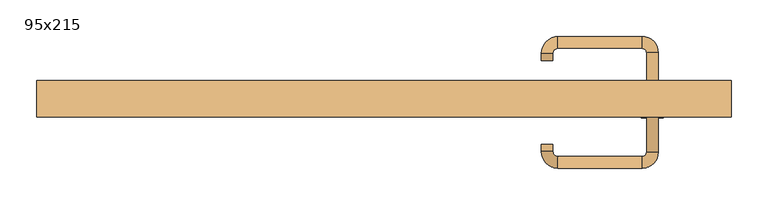
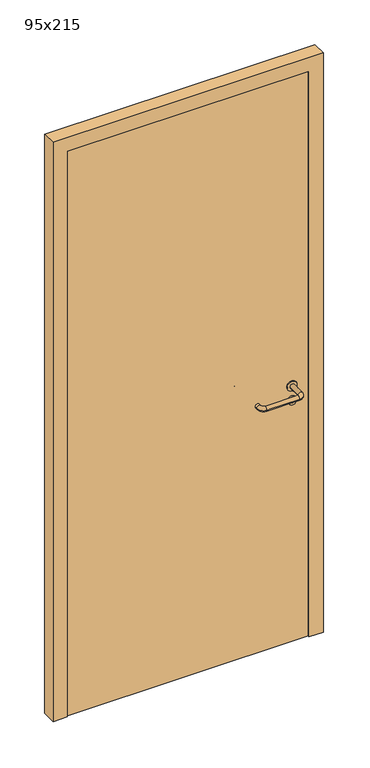
"""IFC4 building model written with IfcOpenShell, lengths in millimetres: door geometry, 95x215."""

from ifc_helpers import new_model, si_unit, point, frame, frame_2d, origin, origin_with_axes, place, context, project, spatial, polyline, circle_curve, ellipse_curve, trimmed, segment, composite_curve, outline, extrude, source, transform, mapped, element, save
from ifc_brep_helpers import plane_surface, cylinder_surface, revolved_surface, advanced_brep


def door_95x215_8f1c2e65(model_context):
    return source(origin(), model_context, "Body", "SolidModel", [
        extrude(outline(composite_curve([segment(trimmed(circle_curve(frame_2d((897.3605726, 367.0)), 15.0), [point((897.3605726, 382.0))], [point((897.3605726, 352.0))], False, "CARTESIAN"), True, "CONTINUOUS"), segment(trimmed(circle_curve(frame_2d((897.3605726, 367.0)), 15.0), [point((897.3605726, 352.0))], [point((897.3605726, 382.0))], False, "CARTESIAN"), True, "CONTINUOUS")], self_intersect=False), holes=[composite_curve([segment(trimmed(circle_curve(frame_2d((892.5833211, 366.9398032)), 2.0), [point((892.5833211, 368.9398032))], [point((892.5833211, 364.9398032))], True, "CARTESIAN"), True, "CONTINUOUS"), segment(polyline([(892.5833211, 364.9398032), (902.5833211, 364.9398032)]), True, "CONTINUOUS"), segment(trimmed(circle_curve(frame_2d((902.5833211, 366.9398032)), 2.0), [point((902.5833211, 364.9398032))], [point((902.5833211, 368.9398032))], True, "CARTESIAN"), True, "CONTINUOUS"), segment(polyline([(902.5833211, 368.9398032), (892.5833211, 368.9398032)]), True, "CONTINUOUS")], self_intersect=False)]), frame((0.0, -15.0, 0.0), z_axis=(0.0, 1.0, 0.0), x_axis=(0.0, 0.0, 1.0)), (0.0, 0.0, 1.0), 6.35),
        extrude(outline(composite_curve([segment(trimmed(circle_curve(frame_2d((950.0, 367.0)), 17.526), [point((950.0, 384.526))], [point((950.0, 349.474))], False, "CARTESIAN"), True, "CONTINUOUS"), segment(trimmed(circle_curve(frame_2d((950.0, 367.0)), 17.526), [point((950.0, 349.474))], [point((950.0, 384.526))], False, "CARTESIAN"), True, "CONTINUOUS")], self_intersect=False)), frame((0.0, -15.0, 0.0), z_axis=(0.0, 1.0, 0.0), x_axis=(0.0, 0.0, 1.0)), (0.0, 0.0, 1.0), 3.175),
        advanced_brep(
        [(375.0, -15.0, 950.0), (359.0, -15.0, 950.0), (375.0, 38.0, 950.0), (359.0, 38.0, 950.0), (352.8578644, 44.1421356, 950.0), (352.8578644, 60.1421356, 950.0), (237.8578644, 60.1421356, 950.0), (237.8578644, 44.1421356, 950.0), (231.008622, 37.2928932, 950.0), (215.008622, 37.2928932, 950.0), (215.008622, 27.2928932, 950.0), (231.008622, 27.2928932, 950.0)],
        [
            (0, 1, circle_curve(frame((367.0, -15.0, 950.0), z_axis=(0.0, -1.0, 0.0), x_axis=(-1.0, 0.0, 0.0)), 8.0)),
            (1, 0, circle_curve(frame((367.0, -15.0, 950.0), z_axis=(0.0, -1.0, 0.0), x_axis=(-1.0, 0.0, 0.0)), 8.0)),
            (0, 2),
            (2, 3, circle_curve(frame((367.0, 38.0, 950.0), z_axis=(0.0, -1.0, 0.0), x_axis=(-1.0, 0.0, 0.0)), 8.0)),
            (3, 1),
            (3, 2, circle_curve(frame((367.0, 38.0, 950.0), z_axis=(0.0, -1.0, 0.0), x_axis=(-1.0, 0.0, 0.0)), 8.0)),
            (4, 3, circle_curve(frame((352.8578644, 38.0, 950.0), z_axis=(0.0, 0.0, -1.0), x_axis=(1.0, 0.0, 0.0)), 6.1421356)),
            (2, 5, circle_curve(frame((352.8578644, 38.0, 950.0), z_axis=(0.0, 0.0, 1.0), x_axis=(1.0, 0.0, 0.0)), 22.1421356)),
            (5, 4, circle_curve(frame((352.8578644, 52.1421356, 950.0), z_axis=(1.0, 0.0, 0.0), x_axis=(0.0, -1.0, 0.0)), 8.0)),
            (4, 5, circle_curve(frame((352.8578644, 52.1421356, 950.0), z_axis=(1.0, 0.0, 0.0), x_axis=(0.0, -1.0, 0.0)), 8.0)),
            (5, 6),
            (6, 7, circle_curve(frame((237.8578644, 52.1421356, 950.0), z_axis=(1.0, 0.0, 0.0), x_axis=(0.0, -1.0, 0.0)), 8.0)),
            (7, 4),
            (7, 6, circle_curve(frame((237.8578644, 52.1421356, 950.0), z_axis=(1.0, 0.0, 0.0), x_axis=(0.0, -1.0, 0.0)), 8.0)),
            (8, 7, circle_curve(frame((237.8578644, 37.2928932, 950.0), z_axis=(0.0, 0.0, -1.0), x_axis=(0.0, 1.0, 0.0)), 6.8492424)),
            (6, 9, circle_curve(frame((237.8578644, 37.2928932, 950.0), z_axis=(0.0, 0.0, 1.0), x_axis=(0.0, 1.0, 0.0)), 22.8492424)),
            (9, 8, circle_curve(frame((223.008622, 37.2928932, 950.0), z_axis=(0.0, 1.0, 0.0), x_axis=(1.0, 0.0, 0.0)), 8.0)),
            (8, 9, circle_curve(frame((223.008622, 37.2928932, 950.0), z_axis=(0.0, 1.0, 0.0), x_axis=(1.0, 0.0, 0.0)), 8.0)),
            (10, 11, circle_curve(frame((223.008622, 27.2928932, 950.0), z_axis=(0.0, -1.0, 0.0), x_axis=(1.0, 0.0, 0.0)), 8.0)),
            (11, 10, circle_curve(frame((223.008622, 27.2928932, 950.0), z_axis=(0.0, -1.0, 0.0), x_axis=(1.0, 0.0, 0.0)), 8.0)),
            (9, 10),
            (11, 8),
        ],
        [
            plane_surface(frame((367.0, -15.0, 170.0), z_axis=(0.0, -1.0, 0.0), x_axis=(0.0, 0.0, 1.0))),
            cylinder_surface(frame((367.0, -15.0, 950.0), z_axis=(0.0, -1.0, 0.0), x_axis=(-1.0, 0.0, 0.0)), 8.0),
            revolved_surface(trimmed(ellipse_curve(frame((367.0, 38.0, 950.0), z_axis=(0.0, -1.0, 0.0), x_axis=(-1.0, 0.0, 0.0)), 8.0, 8.0), [point((375.0, 38.0, 950.0))], [point((359.0, 38.0, 950.0))], True, "CARTESIAN"), (352.8578644, 38.0, 170.0), (0.0, 0.0, 1.0)),
            revolved_surface(trimmed(ellipse_curve(frame((367.0, 38.0, 950.0), z_axis=(0.0, -1.0, 0.0), x_axis=(-1.0, 0.0, 0.0)), 8.0, 8.0), [point((359.0, 38.0, 950.0))], [point((375.0, 38.0, 950.0))], True, "CARTESIAN"), (352.8578644, 38.0, 170.0), (0.0, 0.0, 1.0)),
            cylinder_surface(frame((352.8578644, 52.1421356, 950.0), z_axis=(1.0, 0.0, 0.0), x_axis=(0.0, -1.0, 0.0)), 8.0),
            revolved_surface(trimmed(ellipse_curve(frame((237.8578644, 52.1421356, 950.0), z_axis=(1.0, 0.0, 0.0), x_axis=(0.0, -1.0, 0.0)), 8.0, 8.0), [point((237.8578644, 60.1421356, 950.0))], [point((237.8578644, 44.1421356, 950.0))], True, "CARTESIAN"), (237.8578644, 37.2928932, 170.0), (0.0, 0.0, 1.0)),
            revolved_surface(trimmed(ellipse_curve(frame((237.8578644, 52.1421356, 950.0), z_axis=(1.0, 0.0, 0.0), x_axis=(0.0, -1.0, 0.0)), 8.0, 8.0), [point((237.8578644, 44.1421356, 950.0))], [point((237.8578644, 60.1421356, 950.0))], True, "CARTESIAN"), (237.8578644, 37.2928932, 170.0), (0.0, 0.0, 1.0)),
            plane_surface(frame((223.008622, 27.2928932, 170.0), z_axis=(0.0, -1.0, 0.0), x_axis=(0.0, 0.0, 1.0))),
            cylinder_surface(frame((223.008622, 37.2928932, 950.0), z_axis=(0.0, 1.0, 0.0), x_axis=(1.0, 0.0, 0.0)), 8.0),
        ],
        [
            (0, [[1, 2]]),
            (1, [[-1, 3, 4, 5]]),
            (1, [[-2, -5, 6, -3]]),
            (2, [[7, -4, 8, 9]]),
            (3, [[-8, -6, -7, 10]]),
            (4, [[-9, 11, 12, 13]]),
            (4, [[-10, -13, 14, -11]]),
            (5, [[15, -12, 16, 17]]),
            (6, [[-16, -14, -15, 18]]),
            (7, [[19, 20]]),
            (8, [[-17, 21, -20, 22]]),
            (8, [[-18, -22, -19, -21]]),
        ],
    ),
        extrude(outline(composite_curve([segment(trimmed(circle_curve(frame_2d((0.0, 15.0)), 15.0), [point((0.0, 30.0))], [point((0.0, 0.0))], False, "CARTESIAN"), True, "CONTINUOUS"), segment(trimmed(circle_curve(frame_2d((0.0, 15.0)), 15.0), [point((0.0, 0.0))], [point((0.0, 30.0))], False, "CARTESIAN"), True, "CONTINUOUS")], self_intersect=False), holes=[composite_curve([segment(trimmed(circle_curve(frame_2d((-4.7772515, 14.9398032)), 2.0), [point((-4.7772515, 16.9398032))], [point((-4.7772515, 12.9398032))], True, "CARTESIAN"), True, "CONTINUOUS"), segment(polyline([(-4.7772515, 12.9398032), (5.2227485, 12.9398032)]), True, "CONTINUOUS"), segment(trimmed(circle_curve(frame_2d((5.2227485, 14.9398032)), 2.0), [point((5.2227485, 12.9398032))], [point((5.2227485, 16.9398032))], True, "CARTESIAN"), True, "CONTINUOUS"), segment(polyline([(5.2227485, 16.9398032), (-4.7772515, 16.9398032)]), True, "CONTINUOUS")], self_intersect=False)]), frame((352.0, -51.35, 897.3605726), z_axis=(-1.8870575173328306e-12, 1.0, 0.0), x_axis=(0.0, 0.0, 1.0)), (0.0, 0.0, 1.0), 6.35),
        extrude(outline(composite_curve([segment(trimmed(circle_curve(frame_2d((0.0, 17.526)), 17.526), [point((0.0, 35.052))], [point((0.0, 0.0))], False, "CARTESIAN"), True, "CONTINUOUS"), segment(trimmed(circle_curve(frame_2d((0.0, 17.526)), 17.526), [point((0.0, 0.0))], [point((0.0, 35.052))], False, "CARTESIAN"), True, "CONTINUOUS")], self_intersect=False)), frame((349.474, -48.175, 950.0), z_axis=(-1.8870575173328306e-12, 1.0, 0.0), x_axis=(0.0, 0.0, 1.0)), (0.0, 0.0, 1.0), 3.175),
        advanced_brep(
        [(375.0, -45.0, 950.0), (359.0, -45.0, 950.0), (359.0, -98.0, 950.0), (375.0, -98.0, 950.0), (352.8578644, -104.1421356, 950.0), (352.8578644, -120.1421356, 950.0), (237.8578644, -104.1421356, 950.0), (237.8578644, -120.1421356, 950.0), (231.008622, -97.2928932, 950.0), (215.008622, -97.2928932, 950.0), (215.008622, -87.2928932, 950.0), (231.008622, -87.2928932, 950.0)],
        [
            (0, 1, circle_curve(frame((367.0, -45.0, 950.0), z_axis=(-1.888672253512351e-12, 1.0, 0.0), x_axis=(-1.0, -1.888672253512351e-12, 0.0)), 8.0)),
            (1, 0, circle_curve(frame((367.0, -45.0, 950.0), z_axis=(-1.888672253512351e-12, 1.0, 0.0), x_axis=(-1.0, -1.888672253512351e-12, 0.0)), 8.0)),
            (1, 2),
            (2, 3, circle_curve(frame((367.0, -98.0, 950.0), z_axis=(-1.888672253512351e-12, 1.0, 0.0), x_axis=(-1.0, -1.888672253512351e-12, 0.0)), 8.0)),
            (3, 0),
            (3, 2, circle_curve(frame((367.0, -98.0, 950.0), z_axis=(-1.888672253512351e-12, 1.0, 0.0), x_axis=(-1.0, -1.888672253512351e-12, 0.0)), 8.0)),
            (4, 5, circle_curve(frame((352.8578644, -112.1421356, 950.0), z_axis=(1.0, 1.913702061528922e-12, 0.0), x_axis=(-1.913702061528922e-12, 1.0, 0.0)), 8.0)),
            (5, 3, circle_curve(frame((352.8578644, -98.0, 950.0), z_axis=(0.0, 0.0, 1.0), x_axis=(1.0, 1.880717803715015e-12, 0.0)), 22.1421356)),
            (2, 4, circle_curve(frame((352.8578644, -98.0, 950.0), z_axis=(0.0, 0.0, -1.0), x_axis=(1.0, 1.880717803715015e-12, 0.0)), 6.1421356)),
            (5, 4, circle_curve(frame((352.8578644, -112.1421356, 950.0), z_axis=(1.0, 1.913702061528922e-12, 0.0), x_axis=(-1.913702061528922e-12, 1.0, 0.0)), 8.0)),
            (4, 6),
            (6, 7, circle_curve(frame((237.8578644, -112.1421356, 950.0), z_axis=(1.0, 1.913719828541269e-12, 0.0), x_axis=(-1.913719828541269e-12, 1.0, 0.0)), 8.0)),
            (7, 5),
            (7, 6, circle_curve(frame((237.8578644, -112.1421356, 950.0), z_axis=(1.0, 1.913719828541269e-12, 0.0), x_axis=(-1.913719828541269e-12, 1.0, 0.0)), 8.0)),
            (8, 9, circle_curve(frame((223.008622, -97.2928932, 950.0), z_axis=(1.890226565746826e-12, -1.0, 0.0), x_axis=(1.0, 1.890226565746826e-12, 0.0)), 8.0)),
            (9, 7, circle_curve(frame((237.8578644, -97.2928932, 950.0), z_axis=(0.0, 0.0, 1.0), x_axis=(1.9120873253494017e-12, -1.0, 0.0)), 22.8492424)),
            (6, 8, circle_curve(frame((237.8578644, -97.2928932, 950.0), z_axis=(0.0, 0.0, -1.0), x_axis=(1.9120873253494017e-12, -1.0, 0.0)), 6.8492424)),
            (9, 8, circle_curve(frame((223.008622, -97.2928932, 950.0), z_axis=(1.890670654956676e-12, -1.0, 0.0), x_axis=(1.0, 1.890670654956676e-12, 0.0)), 8.0)),
            (10, 11, circle_curve(frame((223.008622, -87.2928932, 950.0), z_axis=(-1.8903642334018795e-12, 1.0, 0.0), x_axis=(1.0, 1.8903642334018795e-12, 0.0)), 8.0)),
            (11, 10, circle_curve(frame((223.008622, -87.2928932, 950.0), z_axis=(-1.8903642334018795e-12, 1.0, 0.0), x_axis=(1.0, 1.8903642334018795e-12, 0.0)), 8.0)),
            (8, 11),
            (10, 9),
        ],
        [
            plane_surface(frame((367.0, -45.0, 170.0), z_axis=(-1.8870575173328306e-12, 1.0, 0.0), x_axis=(0.0, 0.0, 1.0))),
            cylinder_surface(frame((367.0, -45.0, 950.0), z_axis=(-1.888672253512351e-12, 1.0, 0.0), x_axis=(-1.0, -1.888672253512351e-12, 0.0)), 8.0),
            revolved_surface(trimmed(ellipse_curve(frame((367.0, -98.0, 950.0), z_axis=(1.8823325398945356e-12, -1.0, 0.0), x_axis=(-1.0, -1.8823325398945356e-12, 0.0)), 8.0, 8.0), [point((375.0, -98.0, 950.0))], [point((359.0, -98.0, 950.0))], True, "CARTESIAN"), (352.8578644, -98.0, 170.0), (0.0, 0.0, 1.0)),
            revolved_surface(trimmed(ellipse_curve(frame((367.0, -98.0, 950.0), z_axis=(1.8823325398945356e-12, -1.0, 0.0), x_axis=(-1.0, -1.8823325398945356e-12, 0.0)), 8.0, 8.0), [point((359.0, -98.0, 950.0))], [point((375.0, -98.0, 950.0))], True, "CARTESIAN"), (352.8578644, -98.0, 170.0), (0.0, 0.0, 1.0)),
            cylinder_surface(frame((352.8578644, -112.1421356, 950.0), z_axis=(1.0, 1.913719828541269e-12, 0.0), x_axis=(-1.913719828541269e-12, 1.0, 0.0)), 8.0),
            revolved_surface(trimmed(ellipse_curve(frame((237.8578644, -112.1421356, 950.0), z_axis=(-1.0, -1.913702061528922e-12, 0.0), x_axis=(-1.913702061528922e-12, 1.0, 0.0)), 8.0, 8.0), [point((237.8578644, -120.1421356, 950.0))], [point((237.8578644, -104.1421356, 950.0))], True, "CARTESIAN"), (237.8578644, -97.2928932, 170.0), (0.0, 0.0, 1.0)),
            revolved_surface(trimmed(ellipse_curve(frame((237.8578644, -112.1421356, 950.0), z_axis=(-1.0, -1.913702061528922e-12, 0.0), x_axis=(-1.913702061528922e-12, 1.0, 0.0)), 8.0, 8.0), [point((237.8578644, -104.1421356, 950.0))], [point((237.8578644, -120.1421356, 950.0))], True, "CARTESIAN"), (237.8578644, -97.2928932, 170.0), (0.0, 0.0, 1.0)),
            plane_surface(frame((223.008622, -87.2928932, 170.0), z_axis=(-1.8887494972223595e-12, 1.0, 0.0), x_axis=(0.0, 0.0, 1.0))),
            cylinder_surface(frame((223.008622, -97.2928932, 950.0), z_axis=(1.8903642334018795e-12, -1.0, 0.0), x_axis=(1.0, 1.8903642334018795e-12, 0.0)), 8.0),
        ],
        [
            (0, [[1, 2]]),
            (1, [[3, 4, 5, -2]]),
            (1, [[-5, 6, -3, -1]]),
            (2, [[7, 8, -4, 9]]),
            (3, [[10, -9, -6, -8]]),
            (4, [[11, 12, 13, -7]]),
            (4, [[-13, 14, -11, -10]]),
            (5, [[15, 16, -12, 17]]),
            (6, [[18, -17, -14, -16]]),
            (7, [[19, 20]]),
            (8, [[21, -19, 22, -15]]),
            (8, [[-22, -20, -21, -18]]),
        ],
    ),
        extrude(outline(polyline([(2100.0, 425.0), (0.0, 425.0), (0.0, 475.0), (2150.0, 475.0), (2150.0, -475.0), (0.0, -475.0), (0.0, -425.0), (2100.0, -425.0), (2100.0, 425.0)])), frame((0.0, -50.0, 0.0), z_axis=(0.0, 1.0, 0.0), x_axis=(0.0, 0.0, 1.0)), (0.0, 0.0, 1.0), 50.0),
        extrude(outline(polyline([(-425.0, -45.0), (-425.0, -15.0), (425.0, -15.0), (425.0, -45.0), (-425.0, -45.0)])), origin_with_axes(), (0.0, 0.0, 1.0), 2100.0),
    ])


if __name__ == "__main__":
    model = new_model("IFC4")
    model_context = context("Model", 3, world=origin())
    ifc_project = project(units=[si_unit("LENGTHUNIT", "METRE", prefix="MILLI")], contexts=[model_context])
    site = spatial("IfcSite", under=ifc_project)
    building = spatial("IfcBuilding", under=site)
    placement = place(None, origin())
    door_95x215_shape = door_95x215_8f1c2e65(model_context)
    element("IfcDoor", 1, ObjectType="95x215", at=placement, inside=building, context=model_context, shape_type="MappedRepresentation", body=[
        mapped(door_95x215_shape, transform((0.0, 0.0, 0.0), x_axis=(1.0, 0.0, 0.0), y_axis=(0.0, 1.0, 0.0), z_axis=(0.0, 0.0, 1.0))),
    ])
    save(model, "model.ifc")
